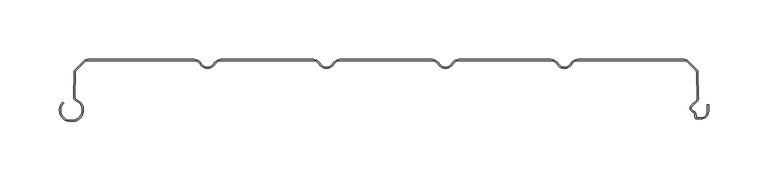
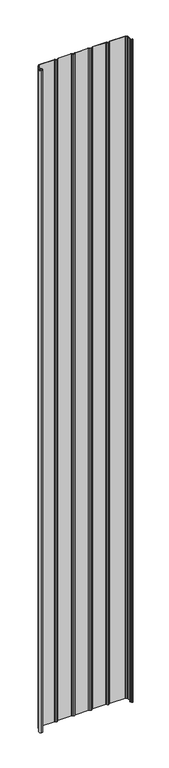
"""IFC4 building model written with IfcOpenShell, lengths in millimetres: plate geometry."""

from ifc_helpers import new_model, si_unit, point, frame_2d, origin, origin_with_axes, place, context, project, spatial, polyline, circle_curve, trimmed, segment, composite_curve, outline, extrude, source, transform, mapped, element, save


def plate_a92965ad(model_context):
    return source(origin(), model_context, "Body", "SweptSolid", [
        extrude(outline(composite_curve([segment(polyline([(-265.0602536, -51.1554676), (-263.8062536, -51.1554676)]), True, "CONTINUOUS"), segment(trimmed(circle_curve(frame_2d((-263.8062536, -42.6554676)), 8.5), [point((-263.8062536, -51.1554676))], [point((-260.2922983, -34.9158218))], True, "CARTESIAN"), True, "CONTINUOUS"), segment(trimmed(circle_curve(frame_2d((-258.5973316, -31.1825808)), 4.1), [point((-260.2922983, -34.9158218))], [point((-262.6663398, -30.6794186))], False, "CARTESIAN"), True, "CONTINUOUS"), segment(trimmed(circle_curve(frame_2d((-361.5345923, -19.4848369)), 99.5), [point((-262.6663398, -30.6794186))], [point((-262.32984, -11.8253904))], True, "CARTESIAN"), True, "CONTINUOUS"), segment(trimmed(circle_curve(frame_2d((-258.2516341, -11.4032093)), 4.1), [point((-262.32984, -11.8253904))], [point((-261.1507719, -8.5040715))], False, "CARTESIAN"), True, "CONTINUOUS"), segment(polyline([(-261.1507719, -8.5040715), (-253.8475626, -1.2008622)]), True, "CONTINUOUS"), segment(trimmed(circle_curve(frame_2d((-250.9484248, -4.1)), 4.1), [point((-253.8475626, -1.2008622))], [point((-250.9484248, 0.0))], False, "CARTESIAN"), True, "CONTINUOUS"), segment(polyline([(-250.9484248, 0.0), (-161.2583302, 0.0)]), True, "CONTINUOUS"), segment(trimmed(circle_curve(frame_2d((-161.2583302, -7.0)), 7.0), [point((-161.2583302, 0.0))], [point((-155.1961524, -3.5))], False, "CARTESIAN"), True, "CONTINUOUS"), segment(trimmed(circle_curve(frame_2d((-150.0, -0.5)), 6.0), [point((-155.1961524, -3.5))], [point((-150.0, -6.5))], True, "CARTESIAN"), True, "CONTINUOUS"), segment(trimmed(circle_curve(frame_2d((-150.0, -0.5)), 6.0), [point((-150.0, -6.5))], [point((-144.8038476, -3.5))], True, "CARTESIAN"), True, "CONTINUOUS"), segment(trimmed(circle_curve(frame_2d((-138.7416698, -7.0)), 7.0), [point((-144.8038476, -3.5))], [point((-138.7416698, 0.0))], False, "CARTESIAN"), True, "CONTINUOUS"), segment(polyline([(-138.7416698, 0.0), (-61.2583302, 0.0)]), True, "CONTINUOUS"), segment(trimmed(circle_curve(frame_2d((-61.2583302, -7.0)), 7.0), [point((-61.2583302, 0.0))], [point((-55.1961524, -3.5))], False, "CARTESIAN"), True, "CONTINUOUS"), segment(trimmed(circle_curve(frame_2d((-50.0, -0.5)), 6.0), [point((-55.1961524, -3.5))], [point((-50.0, -6.5))], True, "CARTESIAN"), True, "CONTINUOUS"), segment(trimmed(circle_curve(frame_2d((-50.0, -0.5)), 6.0), [point((-50.0, -6.5))], [point((-44.8038476, -3.5))], True, "CARTESIAN"), True, "CONTINUOUS"), segment(trimmed(circle_curve(frame_2d((-38.7416698, -7.0)), 7.0), [point((-44.8038476, -3.5))], [point((-38.7416698, 0.0))], False, "CARTESIAN"), True, "CONTINUOUS"), segment(polyline([(-38.7416698, 0.0), (38.7416698, 0.0)]), True, "CONTINUOUS"), segment(trimmed(circle_curve(frame_2d((38.7416698, -7.0)), 7.0), [point((38.7416698, 0.0))], [point((44.8038476, -3.5))], False, "CARTESIAN"), True, "CONTINUOUS"), segment(trimmed(circle_curve(frame_2d((50.0, -0.5)), 6.0), [point((44.8038476, -3.5))], [point((50.0, -6.5))], True, "CARTESIAN"), True, "CONTINUOUS"), segment(trimmed(circle_curve(frame_2d((50.0, -0.5)), 6.0), [point((50.0, -6.5))], [point((55.1961524, -3.5))], True, "CARTESIAN"), True, "CONTINUOUS"), segment(trimmed(circle_curve(frame_2d((61.2583302, -7.0)), 7.0), [point((55.1961524, -3.5))], [point((61.2583302, 0.0))], False, "CARTESIAN"), True, "CONTINUOUS"), segment(polyline([(61.2583302, 0.0), (138.7416698, 0.0)]), True, "CONTINUOUS"), segment(trimmed(circle_curve(frame_2d((138.7416698, -7.0)), 7.0), [point((138.7416698, 0.0))], [point((144.8038476, -3.5))], False, "CARTESIAN"), True, "CONTINUOUS"), segment(trimmed(circle_curve(frame_2d((150.0, -0.5)), 6.0), [point((144.8038476, -3.5))], [point((150.0, -6.5))], True, "CARTESIAN"), True, "CONTINUOUS"), segment(trimmed(circle_curve(frame_2d((150.0, -0.5)), 6.0), [point((150.0, -6.5))], [point((155.1961524, -3.5))], True, "CARTESIAN"), True, "CONTINUOUS"), segment(trimmed(circle_curve(frame_2d((161.2583302, -7.0)), 7.0), [point((155.1961524, -3.5))], [point((161.2583302, 0.0))], False, "CARTESIAN"), True, "CONTINUOUS"), segment(polyline([(161.2583302, 0.0), (250.9484248, 0.0)]), True, "CONTINUOUS"), segment(trimmed(circle_curve(frame_2d((250.9484248, -4.1)), 4.1), [point((250.9484248, 0.0))], [point((253.8475626, -1.2008622))], False, "CARTESIAN"), True, "CONTINUOUS"), segment(polyline([(253.8475626, -1.2008622), (261.1502639, -8.5035635)]), True, "CONTINUOUS"), segment(trimmed(circle_curve(frame_2d((258.2511261, -11.4027013)), 4.1), [point((261.1502639, -8.5035635))], [point((262.3293418, -11.8247881))], False, "CARTESIAN"), True, "CONTINUOUS"), segment(trimmed(circle_curve(frame_2d((361.5375761, -19.4390014)), 99.5), [point((262.3293418, -11.8247881))], [point((262.7850442, -31.6122279))], True, "CARTESIAN"), True, "CONTINUOUS"), segment(trimmed(circle_curve(frame_2d((258.4914801, -32.1706247)), 4.3297228), [point((262.7850442, -31.6122279))], [point((261.4270442, -35.3532279))], False, "CARTESIAN"), True, "CONTINUOUS"), segment(polyline([(261.4270442, -35.3532279), (257.3931689, -39.3871033)]), True, "CONTINUOUS"), segment(trimmed(circle_curve(frame_2d((258.9488038, -40.9427382)), 2.2), [point((257.3931689, -39.3871033))], [point((258.1238712, -42.98222))], True, "CARTESIAN"), True, "CONTINUOUS"), segment(trimmed(circle_curve(frame_2d((256.549, -46.8757763)), 4.2), [point((258.1238712, -42.98222))], [point((260.749, -46.8757763))], False, "CARTESIAN"), True, "CONTINUOUS"), segment(polyline([(260.749, -46.8757763), (260.749, -48.0)]), True, "CONTINUOUS"), segment(trimmed(circle_curve(frame_2d((261.749, -48.0)), 1.0), [point((260.749, -48.0))], [point((261.749, -49.0))], True, "CARTESIAN"), True, "CONTINUOUS"), segment(polyline([(261.749, -49.0), (265.05, -49.0)]), True, "CONTINUOUS"), segment(trimmed(circle_curve(frame_2d((265.05, -43.8)), 5.2), [point((265.05, -49.0))], [point((270.25, -43.8))], True, "CARTESIAN"), True, "CONTINUOUS"), segment(polyline([(270.25, -43.8), (270.25, -38.169), (271.25, -38.169), (271.25, -43.8)]), True, "CONTINUOUS"), segment(trimmed(circle_curve(frame_2d((265.05, -43.8)), 6.2), [point((271.25, -43.8))], [point((265.05, -50.0))], False, "CARTESIAN"), True, "CONTINUOUS"), segment(polyline([(265.05, -50.0), (261.749, -50.0)]), True, "CONTINUOUS"), segment(trimmed(circle_curve(frame_2d((261.749, -48.0)), 2.0), [point((261.749, -50.0))], [point((259.749, -48.0))], False, "CARTESIAN"), True, "CONTINUOUS"), segment(polyline([(259.749, -48.0), (259.749, -46.8757763)]), True, "CONTINUOUS"), segment(trimmed(circle_curve(frame_2d((256.549, -46.8757763)), 3.2), [point((259.749, -46.8757763))], [point((257.7489019, -43.9092572))], True, "CARTESIAN"), True, "CONTINUOUS"), segment(trimmed(circle_curve(frame_2d((258.9488038, -40.9427382)), 3.2), [point((257.7489019, -43.9092572))], [point((256.6860621, -38.6799965))], False, "CARTESIAN"), True, "CONTINUOUS"), segment(polyline([(256.6860621, -38.6799965), (260.7351433, -34.6309152)]), True, "CONTINUOUS"), segment(trimmed(circle_curve(frame_2d((258.4914801, -32.1706247)), 3.3297228), [point((260.7351433, -34.6309152))], [point((261.7929927, -31.7381109))], True, "CARTESIAN"), True, "CONTINUOUS"), segment(trimmed(circle_curve(frame_2d((361.5375761, -19.4390014)), 100.5), [point((261.7929927, -31.7381109))], [point((261.3333637, -11.7340799))], False, "CARTESIAN"), True, "CONTINUOUS"), segment(trimmed(circle_curve(frame_2d((258.2511261, -11.4027013)), 3.1), [point((261.3333637, -11.7340799))], [point((260.4431572, -9.2106703))], True, "CARTESIAN"), True, "CONTINUOUS"), segment(polyline([(260.4431572, -9.2106703), (253.1404559, -1.907969)]), True, "CONTINUOUS"), segment(trimmed(circle_curve(frame_2d((250.9484248, -4.1)), 3.1), [point((253.1404559, -1.907969))], [point((250.9484248, -1.0))], True, "CARTESIAN"), True, "CONTINUOUS"), segment(polyline([(250.9484248, -1.0), (161.2583302, -1.0)]), True, "CONTINUOUS"), segment(trimmed(circle_curve(frame_2d((161.2583302, -7.0)), 6.0), [point((161.2583302, -1.0))], [point((156.0621778, -4.0))], True, "CARTESIAN"), True, "CONTINUOUS"), segment(trimmed(circle_curve(frame_2d((150.0, -0.5)), 7.0), [point((156.0621778, -4.0))], [point((150.0, -7.5))], False, "CARTESIAN"), True, "CONTINUOUS"), segment(trimmed(circle_curve(frame_2d((150.0, -0.5)), 7.0), [point((150.0, -7.5))], [point((143.9378222, -4.0))], False, "CARTESIAN"), True, "CONTINUOUS"), segment(trimmed(circle_curve(frame_2d((138.7416698, -7.0)), 6.0), [point((143.9378222, -4.0))], [point((138.7416698, -1.0))], True, "CARTESIAN"), True, "CONTINUOUS"), segment(polyline([(138.7416698, -1.0), (61.2583302, -1.0)]), True, "CONTINUOUS"), segment(trimmed(circle_curve(frame_2d((61.2583302, -7.0)), 6.0), [point((61.2583302, -1.0))], [point((56.0621778, -4.0))], True, "CARTESIAN"), True, "CONTINUOUS"), segment(trimmed(circle_curve(frame_2d((50.0, -0.5)), 7.0), [point((56.0621778, -4.0))], [point((50.0, -7.5))], False, "CARTESIAN"), True, "CONTINUOUS"), segment(trimmed(circle_curve(frame_2d((50.0, -0.5)), 7.0), [point((50.0, -7.5))], [point((43.9378222, -4.0))], False, "CARTESIAN"), True, "CONTINUOUS"), segment(trimmed(circle_curve(frame_2d((38.7416698, -7.0)), 6.0), [point((43.9378222, -4.0))], [point((38.7416698, -1.0))], True, "CARTESIAN"), True, "CONTINUOUS"), segment(polyline([(38.7416698, -1.0), (-38.7416698, -1.0)]), True, "CONTINUOUS"), segment(trimmed(circle_curve(frame_2d((-38.7416698, -7.0)), 6.0), [point((-38.7416698, -1.0))], [point((-43.9378222, -4.0))], True, "CARTESIAN"), True, "CONTINUOUS"), segment(trimmed(circle_curve(frame_2d((-50.0, -0.5)), 7.0), [point((-43.9378222, -4.0))], [point((-50.0, -7.5))], False, "CARTESIAN"), True, "CONTINUOUS"), segment(trimmed(circle_curve(frame_2d((-50.0, -0.5)), 7.0), [point((-50.0, -7.5))], [point((-56.0621778, -4.0))], False, "CARTESIAN"), True, "CONTINUOUS"), segment(trimmed(circle_curve(frame_2d((-61.2583302, -7.0)), 6.0), [point((-56.0621778, -4.0))], [point((-61.2583302, -1.0))], True, "CARTESIAN"), True, "CONTINUOUS"), segment(polyline([(-61.2583302, -1.0), (-138.7416698, -1.0)]), True, "CONTINUOUS"), segment(trimmed(circle_curve(frame_2d((-138.7416698, -7.0)), 6.0), [point((-138.7416698, -1.0))], [point((-143.9378222, -4.0))], True, "CARTESIAN"), True, "CONTINUOUS"), segment(trimmed(circle_curve(frame_2d((-150.0, -0.5)), 7.0), [point((-143.9378222, -4.0))], [point((-150.0, -7.5))], False, "CARTESIAN"), True, "CONTINUOUS"), segment(trimmed(circle_curve(frame_2d((-150.0, -0.5)), 7.0), [point((-150.0, -7.5))], [point((-156.0621778, -4.0))], False, "CARTESIAN"), True, "CONTINUOUS"), segment(trimmed(circle_curve(frame_2d((-161.2583302, -7.0)), 6.0), [point((-156.0621778, -4.0))], [point((-161.2583302, -1.0))], True, "CARTESIAN"), True, "CONTINUOUS"), segment(polyline([(-161.2583302, -1.0), (-250.9484248, -1.0)]), True, "CONTINUOUS"), segment(trimmed(circle_curve(frame_2d((-250.9484248, -4.1)), 3.1), [point((-250.9484248, -1.0))], [point((-253.1404559, -1.907969))], True, "CARTESIAN"), True, "CONTINUOUS"), segment(polyline([(-253.1404559, -1.907969), (-260.4436651, -9.2111782)]), True, "CONTINUOUS"), segment(trimmed(circle_curve(frame_2d((-258.2516341, -11.4032093)), 3.1), [point((-260.4436651, -9.2111782))], [point((-261.3338854, -11.7344595))], True, "CARTESIAN"), True, "CONTINUOUS"), segment(trimmed(circle_curve(frame_2d((-361.5345923, -19.4848369)), 100.5), [point((-261.3338854, -11.7344595))], [point((-261.6733096, -30.7974064))], False, "CARTESIAN"), True, "CONTINUOUS"), segment(trimmed(circle_curve(frame_2d((-258.5973316, -31.1825808)), 3.1), [point((-261.6733096, -30.7974064))], [point((-259.8788918, -34.0052752))], True, "CARTESIAN"), True, "CONTINUOUS"), segment(trimmed(circle_curve(frame_2d((-263.8062536, -42.6554676)), 9.5), [point((-259.8788918, -34.0052752))], [point((-263.8062536, -52.1554676))], False, "CARTESIAN"), True, "CONTINUOUS"), segment(polyline([(-263.8062536, -52.1554676), (-265.0602536, -52.1554676)]), True, "CONTINUOUS"), segment(trimmed(circle_curve(frame_2d((-265.0602536, -42.6554676)), 9.5), [point((-265.0602536, -52.1554676))], [point((-271.777768, -35.9379532))], False, "CARTESIAN"), True, "CONTINUOUS"), segment(polyline([(-271.777768, -35.9379532), (-271.0706612, -36.64506)]), True, "CONTINUOUS"), segment(trimmed(circle_curve(frame_2d((-265.0602536, -42.6554676)), 8.5), [point((-271.0706612, -36.64506))], [point((-265.0602536, -51.1554676))], True, "CARTESIAN"), True, "CONTINUOUS")], self_intersect=False)), origin_with_axes(), (0.0, 0.0, 1.0), 4061.7064475),
    ])


if __name__ == "__main__":
    model = new_model("IFC4")
    model_context = context("Model", 3, world=origin())
    ifc_project = project(units=[si_unit("LENGTHUNIT", "METRE", prefix="MILLI")], contexts=[model_context])
    site = spatial("IfcSite", under=ifc_project)
    building = spatial("IfcBuilding", under=site)
    placement = place(None, origin())
    plate_shape = plate_a92965ad(model_context)
    element("IfcPlate", 1, at=placement, inside=building, context=model_context, shape_type="MappedRepresentation", body=[
        mapped(plate_shape, transform((0.0, 0.0, 0.0), x_axis=(1.0, 0.0, 0.0), y_axis=(0.0, 1.0, 0.0), z_axis=(0.0, 0.0, 1.0))),
    ])
    save(model, "model.ifc")
